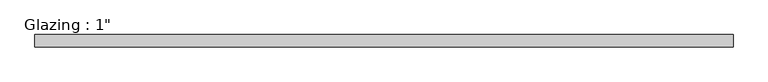
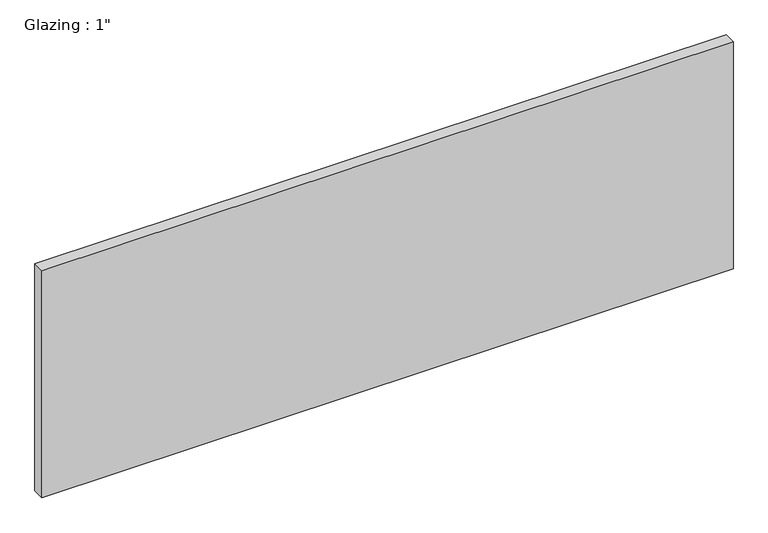
"""IFC4 building model written with IfcOpenShell, lengths in millimetres: plate geometry."""

from ifc_helpers import new_model, si_unit, origin, origin_with_axes, place, context, project, spatial, polyline, outline, extrude, source, transform, mapped, element, save


def plate_9478ace9(model_context):
    return source(origin(), model_context, "Body", "SweptSolid", [
        extrude(outline(polyline([(717.0507144, -12.7), (-717.0507144, -12.7), (-717.0507144, 12.7), (717.0507144, 12.7), (717.0507144, -12.7)])), origin_with_axes(), (0.0, 0.0, 1.0), 497.9851068),
    ])


if __name__ == "__main__":
    model = new_model("IFC4")
    model_context = context("Model", 3, world=origin())
    ifc_project = project(units=[si_unit("LENGTHUNIT", "METRE", prefix="MILLI")], contexts=[model_context])
    site = spatial("IfcSite", under=ifc_project)
    building = spatial("IfcBuilding", under=site)
    placement = place(None, origin())
    plate_shape = plate_9478ace9(model_context)
    element("IfcPlate", 1, ObjectType="Glazing : 1\"", at=placement, inside=building, context=model_context, shape_type="MappedRepresentation", body=[
        mapped(plate_shape, transform((0.0, 0.0, 0.0), x_axis=(1.0, 0.0, 0.0), y_axis=(0.0, 1.0, 0.0), z_axis=(0.0, 0.0, 1.0))),
    ])
    save(model, "model.ifc")
